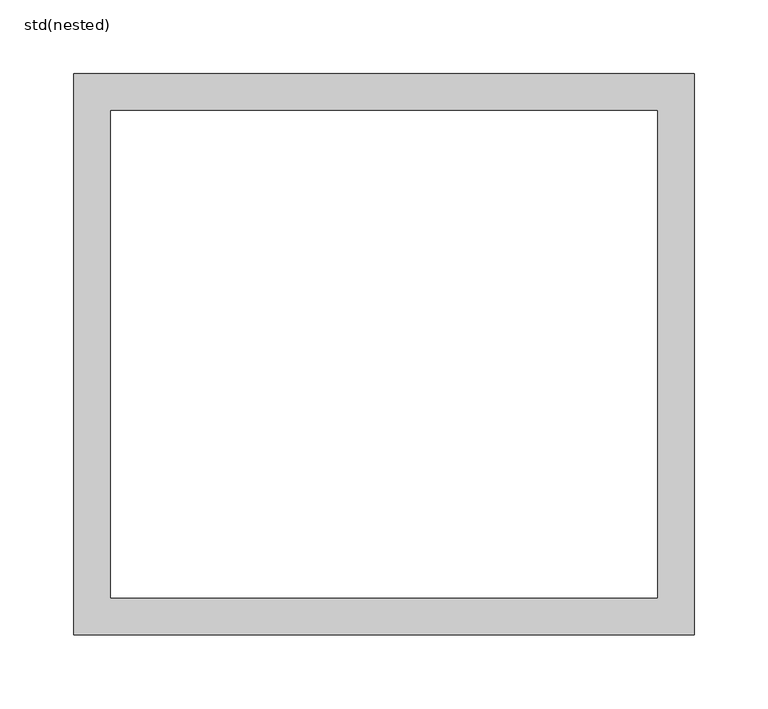
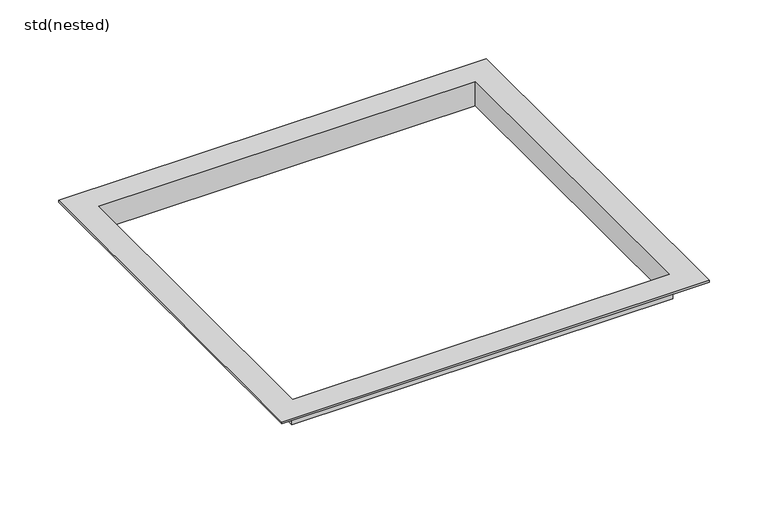
"""IFC4 building model written with IfcOpenShell, lengths in millimetres: furniture geometry, std(nested)."""

from ifc_helpers import new_model, si_unit, origin, place, context, project, spatial, faceted_brep, source, transform, mapped, element, save


def std_nested_183a7562(model_context):
    return source(origin(), model_context, "Body", "Brep", [
        faceted_brep([(187.5, 167.5, -25.0), (187.5, 167.5, -2.0), (187.5, -167.5, -2.0), (187.5, -167.5, -25.0), (185.5, 165.5, 0.0), (185.5, 165.5, -25.0), (185.5, -165.5, -25.0), (185.5, -165.5, 0.0), (210.5, 190.5, -2.0), (210.5, 190.5, 0.0), (210.5, -190.5, 0.0), (210.5, -190.5, -2.0), (-187.5, -167.5, -2.0), (-187.5, -167.5, -25.0), (-185.5, -165.5, -25.0), (-185.5, -165.5, 0.0), (-210.5, -190.5, 0.0), (-210.5, -190.5, -2.0), (-187.5, 167.5, -2.0), (-187.5, 167.5, -25.0), (-185.5, 165.5, -25.0), (-185.5, 165.5, 0.0), (-210.5, 190.5, 0.0), (-210.5, 190.5, -2.0)], [[[0, 1, 2, 3]], [[4, 5, 6, 7]], [[8, 9, 10, 11]], [[3, 2, 12, 13]], [[7, 6, 14, 15]], [[11, 10, 16, 17]], [[13, 12, 18, 19]], [[15, 14, 20, 21]], [[17, 16, 22, 23]], [[11, 17, 23, 8], [1, 18, 12, 2]], [[19, 18, 1, 0]], [[3, 13, 19, 0], [5, 20, 14, 6]], [[21, 20, 5, 4]], [[9, 22, 16, 10], [7, 15, 21, 4]], [[23, 22, 9, 8]]]),
    ])


if __name__ == "__main__":
    model = new_model("IFC4")
    model_context = context("Model", 3, world=origin())
    ifc_project = project(units=[si_unit("LENGTHUNIT", "METRE", prefix="MILLI")], contexts=[model_context])
    site = spatial("IfcSite", under=ifc_project)
    building = spatial("IfcBuilding", under=site)
    placement = place(None, origin())
    std_nested_shape = std_nested_183a7562(model_context)
    element("IfcFurniture", 1, ObjectType="std(nested)", at=placement, inside=building, context=model_context, shape_type="MappedRepresentation", body=[
        mapped(std_nested_shape, transform((0.0, 0.0, 0.0), x_axis=(1.0, 0.0, 0.0), y_axis=(0.0, 1.0, 0.0), z_axis=(0.0, 0.0, 1.0))),
    ])
    save(model, "model.ifc")
